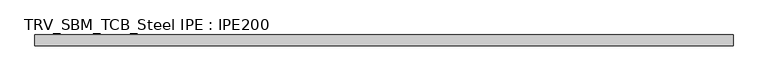
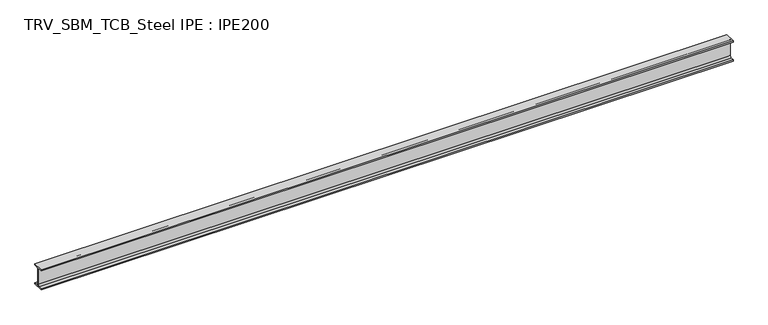
"""IFC4 building model written with IfcOpenShell, lengths in millimetres: beam geometry, TRV_SBM_TCB_Steel IPE : IPE200."""

from ifc_helpers import new_model, si_unit, point, frame, frame_2d, origin, place, context, project, spatial, polyline, circle_curve, trimmed, segment, composite_curve, outline, extrude, source, transform, mapped, element, save


def trv_sbm_tcb_steel_ipe_ipe200_0157c449(model_context):
    return source(origin(), model_context, "Body", "SweptSolid", [
        extrude(outline(composite_curve([segment(polyline([(-50.0, -89.3), (-18.55, -89.3)]), True, "CONTINUOUS"), segment(trimmed(circle_curve(frame_2d((-18.55, -74.3)), 15.0), [point((-18.55, -89.3))], [point((-3.55, -74.3))], True, "CARTESIAN"), True, "CONTINUOUS"), segment(polyline([(-3.55, -74.3), (-3.55, 74.3)]), True, "CONTINUOUS"), segment(trimmed(circle_curve(frame_2d((-18.55, 74.3)), 15.0), [point((-3.55, 74.3))], [point((-18.55, 89.3))], True, "CARTESIAN"), True, "CONTINUOUS"), segment(polyline([(-18.55, 89.3), (-50.0, 89.3), (-50.0, 100.0), (50.0, 100.0), (50.0, 89.3), (18.55, 89.3)]), True, "CONTINUOUS"), segment(trimmed(circle_curve(frame_2d((18.55, 74.3)), 15.0), [point((18.55, 89.3))], [point((3.55, 74.3))], True, "CARTESIAN"), True, "CONTINUOUS"), segment(polyline([(3.55, 74.3), (3.55, -74.3)]), True, "CONTINUOUS"), segment(trimmed(circle_curve(frame_2d((18.55, -74.3)), 15.0), [point((3.55, -74.3))], [point((18.55, -89.3))], True, "CARTESIAN"), True, "CONTINUOUS"), segment(polyline([(18.55, -89.3), (50.0, -89.3), (50.0, -100.0), (-50.0, -100.0), (-50.0, -89.3)]), True, "CONTINUOUS")], self_intersect=False)), frame((-3266.5, 0.0, 0.0), z_axis=(1.0, 0.0, 0.0), x_axis=(0.0, 1.0, 0.0)), (0.0, 0.0, 1.0), 6533.0),
    ])


if __name__ == "__main__":
    model = new_model("IFC4")
    model_context = context("Model", 3, world=origin())
    ifc_project = project(units=[si_unit("LENGTHUNIT", "METRE", prefix="MILLI")], contexts=[model_context])
    site = spatial("IfcSite", under=ifc_project)
    building = spatial("IfcBuilding", under=site)
    placement = place(None, origin())
    trv_sbm_tcb_steel_ipe_ipe200_shape = trv_sbm_tcb_steel_ipe_ipe200_0157c449(model_context)
    element("IfcBeam", 1, ObjectType="TRV_SBM_TCB_Steel IPE : IPE200", at=placement, inside=building, context=model_context, shape_type="MappedRepresentation", body=[
        mapped(trv_sbm_tcb_steel_ipe_ipe200_shape, transform((0.0, 0.0, 0.0), x_axis=(1.0, 0.0, 0.0), y_axis=(0.0, 1.0, 0.0), z_axis=(0.0, 0.0, 1.0))),
    ])
    save(model, "model.ifc")
